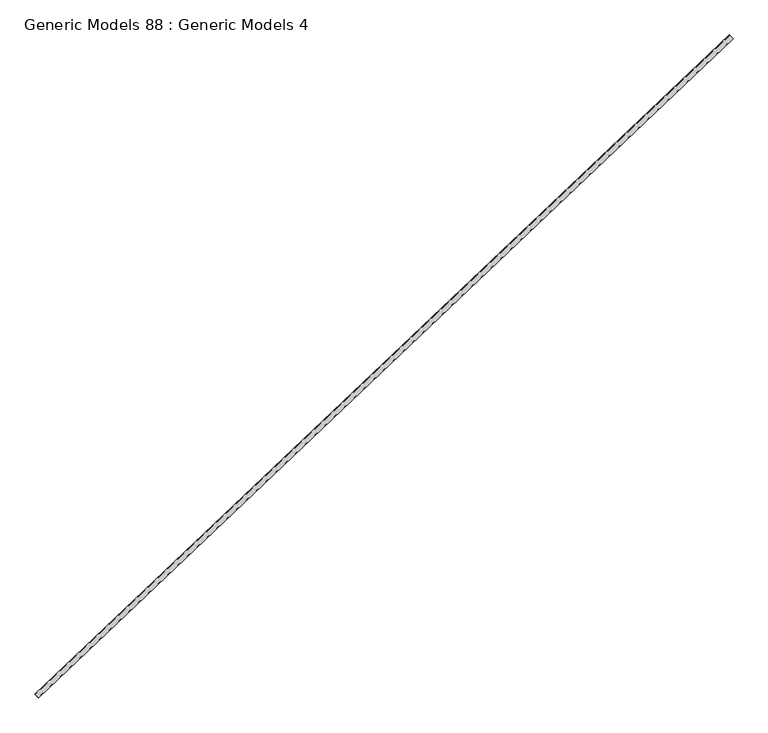
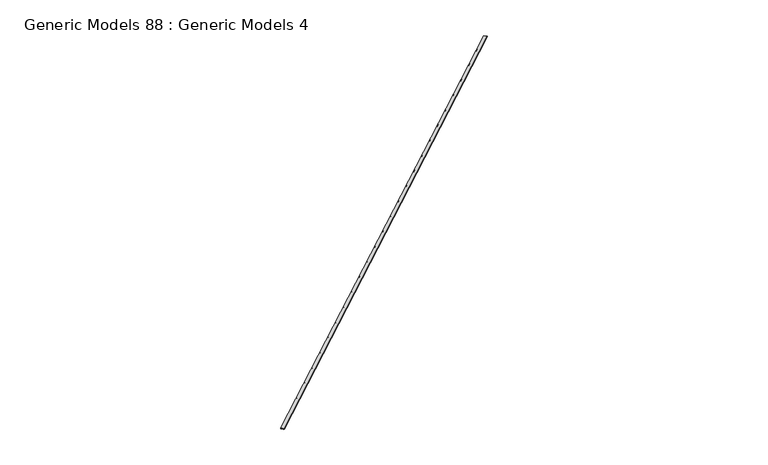
"""IFC4 building model written with IfcOpenShell, lengths in millimetres: proxy geometry, Generic Models 88 : Generic Models 4."""

from ifc_helpers import new_model, si_unit, point, frame, frame_2d, origin, place, context, project, spatial, polyline, circle_curve, trimmed, segment, composite_curve, outline, extrude, source, transform, mapped, element, save


def generic_models_88_generic_models_4_7d80bc83(model_context):
    return source(origin(), model_context, "Body", "SweptSolid", [
        extrude(outline(composite_curve([segment(polyline([(0.0, 0.0), (0.0, 50.8)]), True, "CONTINUOUS"), segment(trimmed(circle_curve(frame_2d((4.5640625, 55.2149557)), 6.35), [point((0.0, 50.8))], [point((0.3998929, 50.4209811))], True, "CARTESIAN"), True, "CONTINUOUS"), segment(polyline([(0.3998929, 50.4209811), (0.3998929, 0.3790188)]), True, "CONTINUOUS"), segment(trimmed(circle_curve(frame_2d((4.5640625, -4.4149557)), 6.35), [point((0.3998929, 0.3790188))], [point((0.0, 0.0))], True, "CARTESIAN"), True, "CONTINUOUS")], self_intersect=False)), frame((103178.651192, 41020.2840273, 18098.1782195), z_axis=(0.725374371012385, 0.6883545756936514, 0.0), x_axis=(0.0, 0.0, 1.0)), (0.0, 0.0, 1.0), 9239.25),
        extrude(outline(composite_curve([segment(polyline([(9.128125, 50.8), (9.128125, 0.0)]), True, "CONTINUOUS"), segment(trimmed(circle_curve(frame_2d((4.5640625, -4.4149557)), 6.35), [point((9.128125, 0.0))], [point((5.1623929, 1.9067925))], True, "CARTESIAN"), True, "CONTINUOUS"), segment(polyline([(5.1623929, 1.9067925), (5.1623929, 48.8932074)]), True, "CONTINUOUS"), segment(trimmed(circle_curve(frame_2d((4.5640625, 55.2149557)), 6.35), [point((5.1623929, 48.8932074))], [point((9.128125, 50.8))], True, "CARTESIAN"), True, "CONTINUOUS")], self_intersect=False)), frame((103178.651192, 41020.2840273, 18098.1782195), z_axis=(0.725374371012385, 0.6883545756936514, 0.0), x_axis=(0.0, 0.0, 1.0)), (0.0, 0.0, 1.0), 9239.25),
        extrude(outline(composite_curve([segment(polyline([(3.5748929, 48.9424726), (3.5748929, 1.8575274)]), True, "CONTINUOUS"), segment(trimmed(circle_curve(frame_2d((4.5640625, -4.4149557)), 6.35), [point((3.5748929, 1.8575274))], [point((1.9873929, 1.3887736))], True, "CARTESIAN"), True, "CONTINUOUS"), segment(polyline([(1.9873929, 1.3887736), (1.9873929, 49.4112264)]), True, "CONTINUOUS"), segment(trimmed(circle_curve(frame_2d((4.5640625, 55.2149557)), 6.35), [point((1.9873929, 49.4112264))], [point((3.5748929, 48.9424726))], True, "CARTESIAN"), True, "CONTINUOUS")], self_intersect=False)), frame((103178.651192, 41020.2840273, 18098.1782195), z_axis=(0.725374371012385, 0.6883545756936514, 0.0), x_axis=(0.0, 0.0, 1.0)), (0.0, 0.0, 1.0), 9239.25),
    ])


if __name__ == "__main__":
    model = new_model("IFC4")
    model_context = context("Model", 3, world=origin())
    ifc_project = project(units=[si_unit("LENGTHUNIT", "METRE", prefix="MILLI")], contexts=[model_context])
    site = spatial("IfcSite", under=ifc_project)
    building = spatial("IfcBuilding", under=site)
    placement = place(None, origin())
    generic_models_88_generic_models_4_shape = generic_models_88_generic_models_4_7d80bc83(model_context)
    element("IfcBuildingElementProxy", 1, Name="Generic Models 88 : Generic Models 4", ObjectType="Generic Models 88 : Generic Models 4", at=placement, inside=building, context=model_context, shape_type="MappedRepresentation", body=[
        mapped(generic_models_88_generic_models_4_shape, transform((0.0, 0.0, 0.0), x_axis=(1.0, 0.0, 0.0), y_axis=(0.0, 1.0, 0.0), z_axis=(0.0, 0.0, 1.0))),
    ])
    save(model, "model.ifc")
